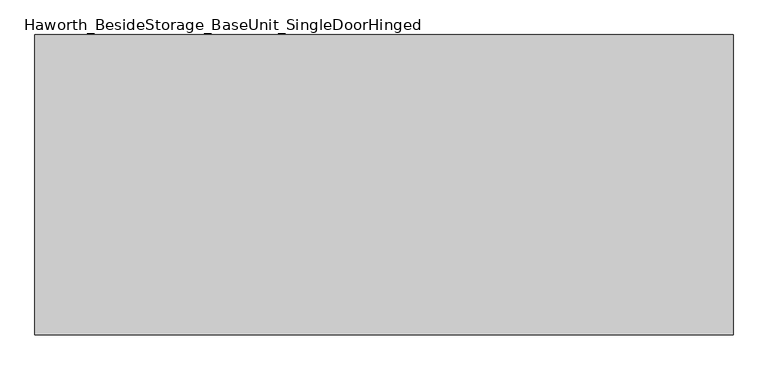
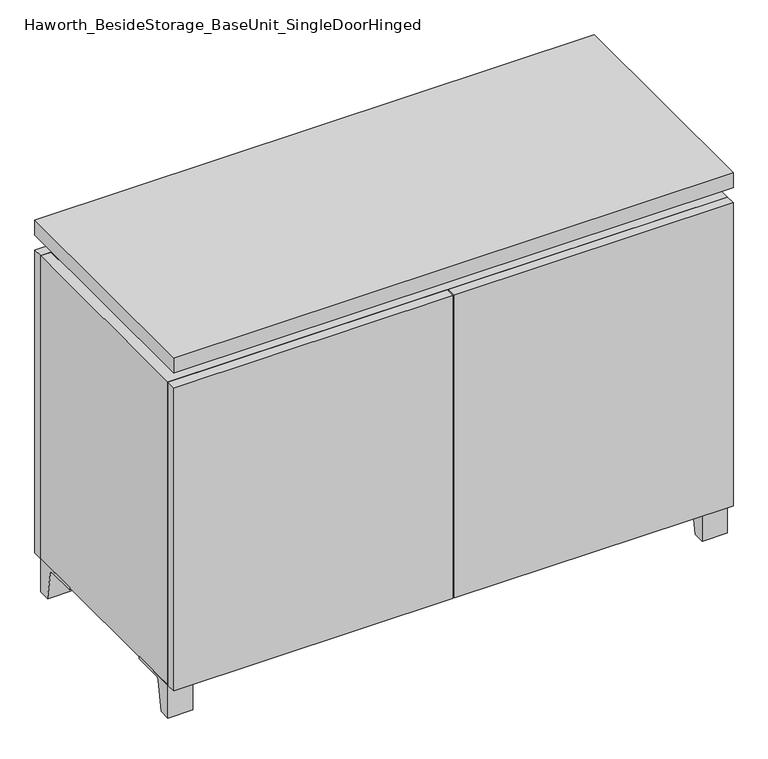
"""IFC4 building model written with IfcOpenShell, lengths in millimetres: furniture geometry, Haworth_BesideStorage_BaseUnit_SingleDoorHinged."""

from ifc_helpers import new_model, si_unit, point, frame, frame_2d, origin, place, context, project, spatial, polyline, circle_curve, trimmed, segment, composite_curve, outline, extrude, faceted_brep, source, transform, mapped, element, save


def haworth_besidestorage_baseunit_singledoorhinged_05425937(model_context):
    return source(origin(), model_context, "Body", "SolidModel", [
        extrude(outline(composite_curve([segment(polyline([(-129.6458469, 0.0), (-152.4, 0.0), (-152.4, 66.675), (-57.15, 66.675), (-57.15, 61.8963321), (-113.9505345, 61.8963321)]), True, "CONTINUOUS"), segment(trimmed(circle_curve(frame_2d((-113.9505345, 55.5463321)), 6.35), [point((-113.9505345, 61.8963321))], [point((-120.2141359, 56.5902656))], True, "CARTESIAN"), True, "CONTINUOUS"), segment(polyline([(-120.2141359, 56.5902656), (-129.6458469, 0.0)]), True, "CONTINUOUS")], self_intersect=False)), frame((484.2013906, 0.0, 0.0), z_axis=(1.0, 0.0, 0.0), x_axis=(0.0, 1.0, 0.0)), (0.0, 0.0, 1.0), 47.625),
        extrude(outline(composite_curve([segment(polyline([(243.9458469, 0.0), (234.5141359, 56.5902656)]), True, "CONTINUOUS"), segment(trimmed(circle_curve(frame_2d((228.2505345, 55.5463321)), 6.35), [point((234.5141359, 56.5902656))], [point((228.2505345, 61.8963321))], True, "CARTESIAN"), True, "CONTINUOUS"), segment(polyline([(228.2505345, 61.8963321), (171.45, 61.8963321), (171.45, 66.675), (266.7, 66.675), (266.7, 0.0), (243.9458469, 0.0)]), True, "CONTINUOUS")], self_intersect=False)), frame((484.2013906, 0.0, 0.0), z_axis=(1.0, 0.0, 0.0), x_axis=(0.0, 1.0, 0.0)), (0.0, 0.0, 1.0), 47.625),
        extrude(outline(composite_curve([segment(polyline([(-129.6458469, 0.0), (-152.4, 0.0), (-152.4, 66.675), (-57.15, 66.675), (-57.15, 61.8963321), (-113.9505345, 61.8963321)]), True, "CONTINUOUS"), segment(trimmed(circle_curve(frame_2d((-113.9505345, 55.5463321)), 6.35), [point((-113.9505345, 61.8963321))], [point((-120.2141359, 56.5902656))], True, "CARTESIAN"), True, "CONTINUOUS"), segment(polyline([(-120.2141359, 56.5902656), (-129.6458469, 0.0)]), True, "CONTINUOUS")], self_intersect=False)), frame((-531.7986094, 0.0, 0.0), z_axis=(1.0, 0.0, 0.0), x_axis=(0.0, 1.0, 0.0)), (0.0, 0.0, 1.0), 47.625),
        extrude(outline(composite_curve([segment(polyline([(243.9458469, 0.0), (234.5141359, 56.5902656)]), True, "CONTINUOUS"), segment(trimmed(circle_curve(frame_2d((228.2505345, 55.5463321)), 6.35), [point((234.5141359, 56.5902656))], [point((228.2505345, 61.8963321))], True, "CARTESIAN"), True, "CONTINUOUS"), segment(polyline([(228.2505345, 61.8963321), (171.45, 61.8963321), (171.45, 66.675), (266.7, 66.675), (266.7, 0.0), (243.9458469, 0.0)]), True, "CONTINUOUS")], self_intersect=False)), frame((-531.7986094, 0.0, 0.0), z_axis=(1.0, 0.0, 0.0), x_axis=(0.0, 1.0, 0.0)), (0.0, 0.0, 1.0), 47.625),
        faceted_brep([(-531.7986094, -152.4, 66.675), (531.8125, -152.4, 66.675), (531.8125, -152.4, 676.275), (-531.7986094, -152.4, 676.275), (-512.7486094, -152.4, 85.725), (-512.7486094, -152.4, 657.225), (512.7694453, -152.4, 657.225), (512.7486094, -152.4, 85.725), (-531.7986094, 266.7, 66.675), (-531.7986094, 266.7, 676.275), (-512.7486094, 266.7, 676.275), (-512.7486094, 266.7, 85.725), (512.7486094, 266.7, 85.725), (512.7486094, 266.7, 676.275), (531.8125, 266.7, 676.275), (531.8125, 266.7, 66.675), (512.7486094, 241.3, 676.275), (-512.7416641, 241.3, 676.275), (-512.7486094, 241.3, 657.225), (512.7486094, 241.3, 657.225)], [[[0, 1, 2, 3], [4, 5, 6, 7]], [[8, 9, 10, 11, 12, 13, 14, 15]], [[1, 0, 8, 15]], [[2, 1, 15, 14]], [[3, 2, 14, 13, 16, 17, 10, 9]], [[0, 3, 9, 8]], [[11, 10, 17, 18, 5, 4]], [[13, 12, 7, 6, 19, 16]], [[4, 7, 12, 11]], [[6, 5, 18, 19]], [[17, 16, 19, 18]]]),
        extrude(outline(polyline([(531.8263906, -171.45), (-531.7986094, -171.45), (-531.7986094, 285.75), (531.8263906, 285.75), (531.8263906, -171.45)])), frame((0.0, 0.0, 706.4375), z_axis=(0.0, 0.0, 1.0), x_axis=(1.0, 0.0, 0.0)), (0.0, 0.0, 1.0), 30.1625),
        faceted_brep([(7.9513906, -76.2, 706.4375), (7.9513906, -76.2, 676.275), (7.9513906, 47.625, 676.275), (7.9513906, 47.625, 706.4375), (7.9513906, 190.5, 676.275), (7.9513906, 190.5, 706.4375), (7.9513906, 66.675, 706.4375), (7.9513906, 66.675, 676.275), (-7.9236094, 190.5, 706.4375), (-7.9236094, 190.5, 676.275), (-7.9236094, 66.675, 676.275), (-7.9236094, 66.675, 706.4375), (-7.9236094, -76.2, 676.275), (-7.9236094, -76.2, 706.4375), (-7.9236094, 47.625, 706.4375), (-7.9236094, 47.625, 676.275), (-490.4958281, 66.675, 706.4375), (-490.5166641, 241.3, 706.4375), (-506.3916641, 241.3, 706.4375), (-506.3916641, -127.0, 706.4375), (-490.5166641, -127.0, 706.4375), (-490.5166641, 47.625, 706.4375), (490.5236094, 47.625, 706.4375), (490.5236094, -127.0, 706.4375), (506.3986094, -127.0, 706.4375), (506.3986094, 241.3, 706.4375), (490.5236094, 241.3, 706.4375), (490.5236094, 66.675, 706.4375), (-490.4958281, 47.625, 676.275), (-490.5166641, -127.0, 676.275), (-506.3916641, -127.0, 676.275), (-506.3916641, 241.3, 676.275), (-490.5166641, 241.3, 676.275), (-490.5166641, 66.675, 676.275), (490.5236094, 66.675, 676.275), (490.5236094, 241.3, 676.275), (506.3986094, 241.3, 676.275), (506.3986094, -127.0, 676.275), (490.5236094, -127.0, 676.275), (490.5236094, 47.625, 676.275)], [[[0, 1, 2, 3]], [[4, 5, 6, 7]], [[8, 9, 10, 11]], [[12, 13, 14, 15]], [[5, 8, 11, 16, 17, 18, 19, 20, 21, 14, 13, 0, 3, 22, 23, 24, 25, 26, 27, 6]], [[1, 12, 15, 28, 29, 30, 31, 32, 33, 10, 9, 4, 7, 34, 35, 36, 37, 38, 39, 2]], [[5, 4, 9, 8]], [[1, 0, 13, 12]], [[6, 27, 34, 7]], [[22, 3, 2, 39]], [[20, 29, 28, 21]], [[32, 17, 16, 33]], [[18, 31, 30, 19]], [[29, 20, 19, 30]], [[17, 32, 31, 18]], [[26, 35, 34, 27]], [[38, 23, 22, 39]], [[25, 24, 37, 36]], [[23, 38, 37, 24]], [[35, 26, 25, 36]], [[16, 11, 10, 33]], [[14, 21, 28, 15]]]),
        extrude(outline(polyline([(531.8263906, 266.7), (-531.7986094, 266.7), (-531.7986094, 285.75), (531.8263906, 285.75), (531.8263906, 266.7)])), frame((0.0, 0.0, 66.675), z_axis=(0.0, 0.0, 1.0), x_axis=(1.0, 0.0, 0.0)), (0.0, 0.0, 1.0), 609.6),
        extrude(outline(polyline([(-512.7416641, 196.85), (-512.7416641, 203.2), (512.7694453, 203.2), (512.7694453, 196.85), (-512.7416641, 196.85)])), frame((0.0, 0.0, 85.725), z_axis=(0.0, 0.0, 1.0), x_axis=(1.0, 0.0, 0.0)), (0.0, 0.0, 1.0), 571.5),
        extrude(outline(polyline([(1.6013906, -171.45), (1.6013906, -152.4), (531.8263906, -152.4), (531.8263906, -171.45), (1.6013906, -171.45)])), frame((0.0, 0.0, 66.675), z_axis=(0.0, 0.0, 1.0), x_axis=(1.0, 0.0, 0.0)), (0.0, 0.0, 1.0), 609.6),
        extrude(outline(polyline([(-1.5736094, -171.45), (-531.7986094, -171.45), (-531.7986094, -152.4), (-1.5736094, -152.4), (-1.5736094, -171.45)])), frame((0.0, 0.0, 66.675), z_axis=(0.0, 0.0, 1.0), x_axis=(1.0, 0.0, 0.0)), (0.0, 0.0, 1.0), 609.6),
    ])


if __name__ == "__main__":
    model = new_model("IFC4")
    model_context = context("Model", 3, world=origin())
    ifc_project = project(units=[si_unit("LENGTHUNIT", "METRE", prefix="MILLI")], contexts=[model_context])
    site = spatial("IfcSite", under=ifc_project)
    building = spatial("IfcBuilding", under=site)
    placement = place(None, origin())
    haworth_besidestorage_baseunit_singledoorhinged_shape = haworth_besidestorage_baseunit_singledoorhinged_05425937(model_context)
    element("IfcFurniture", 1, ObjectType="Haworth_BesideStorage_BaseUnit_SingleDoorHinged", at=placement, inside=building, context=model_context, shape_type="MappedRepresentation", body=[
        mapped(haworth_besidestorage_baseunit_singledoorhinged_shape, transform((0.0, 0.0, 0.0), x_axis=(1.0, 0.0, 0.0), y_axis=(0.0, 1.0, 0.0), z_axis=(0.0, 0.0, 1.0))),
    ])
    save(model, "model.ifc")
